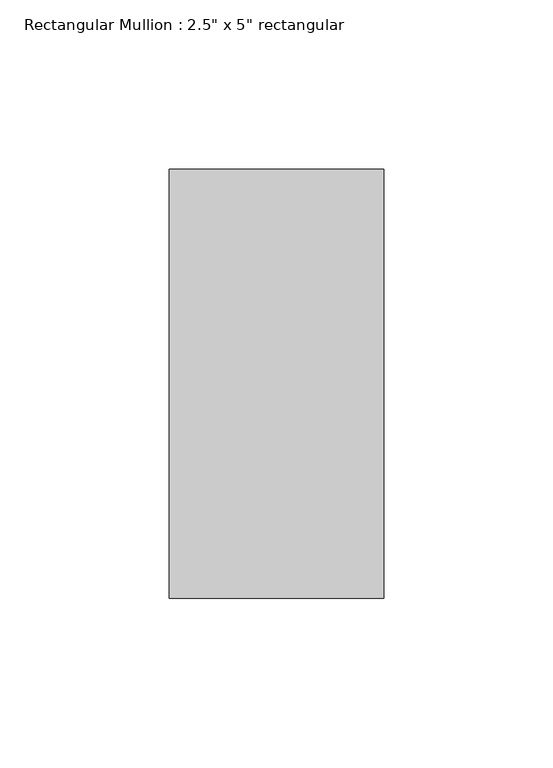
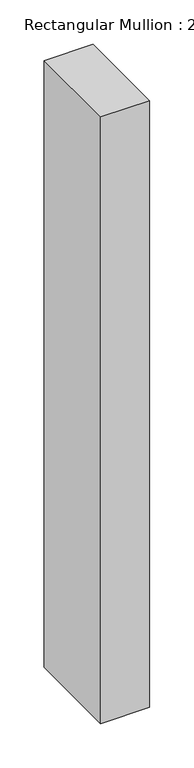
"""IFC4 building model written with IfcOpenShell, lengths in millimetres: member geometry."""

from ifc_helpers import new_model, si_unit, frame, origin, place, context, project, spatial, polyline, outline, extrude, source, transform, mapped, element, save


def member_774f6558(model_context):
    return source(origin(), model_context, "Body", "SweptSolid", [
        extrude(outline(polyline([(0.0, 63.5), (0.0, -63.5), (-63.5, -63.5), (-63.5, 63.5), (0.0, 63.5)])), frame((0.0, 0.0, -833.0), z_axis=(0.0, 0.0, 1.0), x_axis=(1.0, 0.0, 0.0)), (0.0, 0.0, 1.0), 833.0),
    ])


if __name__ == "__main__":
    model = new_model("IFC4")
    model_context = context("Model", 3, world=origin())
    ifc_project = project(units=[si_unit("LENGTHUNIT", "METRE", prefix="MILLI")], contexts=[model_context])
    site = spatial("IfcSite", under=ifc_project)
    building = spatial("IfcBuilding", under=site)
    placement = place(None, origin())
    member_shape = member_774f6558(model_context)
    element("IfcMember", 1, ObjectType="Rectangular Mullion : 2.5\" x 5\" rectangular", at=placement, inside=building, context=model_context, shape_type="MappedRepresentation", body=[
        mapped(member_shape, transform((0.0, 0.0, 0.0), x_axis=(1.0, 0.0, 0.0), y_axis=(0.0, 1.0, 0.0), z_axis=(0.0, 0.0, 1.0))),
    ])
    save(model, "model.ifc")
